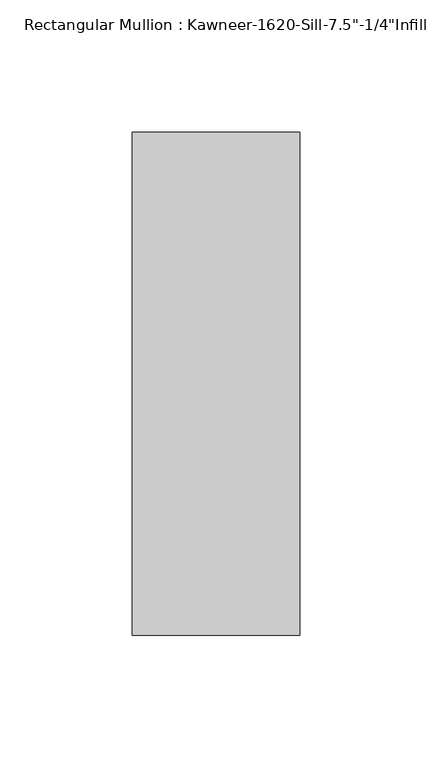
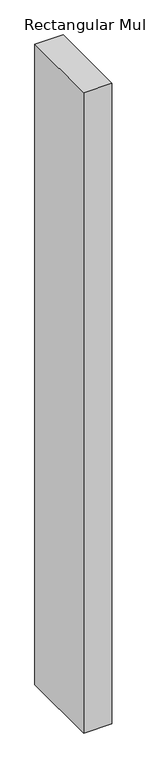
"""IFC4 building model written with IfcOpenShell, lengths in millimetres: member geometry."""

from ifc_helpers import new_model, si_unit, frame, origin, place, context, project, spatial, polyline, outline, extrude, source, transform, mapped, element, save


def member_44de0302(model_context):
    return source(origin(), model_context, "Body", "SweptSolid", [
        extrude(outline(polyline([(22.225, 28.575), (22.225, -161.925), (-41.275, -161.925), (-41.275, 28.575), (22.225, 28.575)])), frame((0.0, 0.0, -1524.0), z_axis=(0.0, 0.0, 1.0), x_axis=(1.0, 0.0, 0.0)), (0.0, 0.0, 1.0), 1524.0),
    ])


if __name__ == "__main__":
    model = new_model("IFC4")
    model_context = context("Model", 3, world=origin())
    ifc_project = project(units=[si_unit("LENGTHUNIT", "METRE", prefix="MILLI")], contexts=[model_context])
    site = spatial("IfcSite", under=ifc_project)
    building = spatial("IfcBuilding", under=site)
    placement = place(None, origin())
    member_shape = member_44de0302(model_context)
    element("IfcMember", 1, ObjectType="Rectangular Mullion : Kawneer-1620-Sill-7.5\"-1/4\"Infill", at=placement, inside=building, context=model_context, shape_type="MappedRepresentation", body=[
        mapped(member_shape, transform((0.0, 0.0, 0.0), x_axis=(1.0, 0.0, 0.0), y_axis=(0.0, 1.0, 0.0), z_axis=(0.0, 0.0, 1.0))),
    ])
    save(model, "model.ifc")
